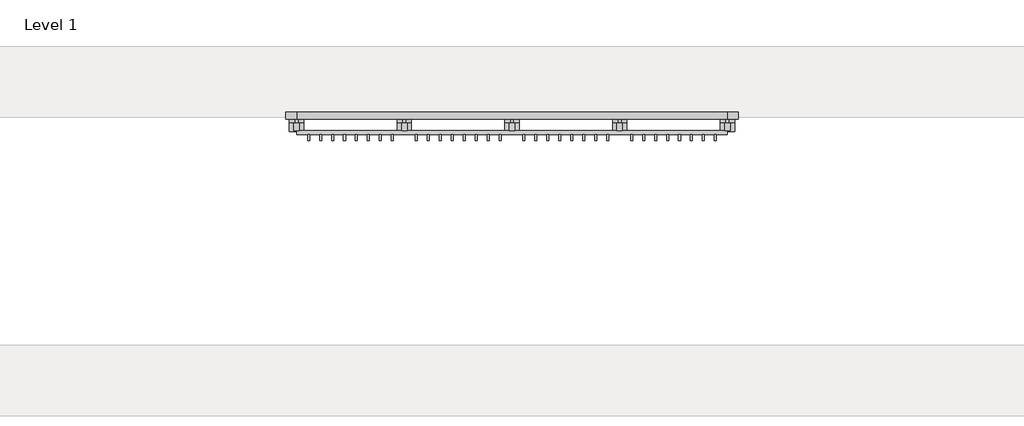
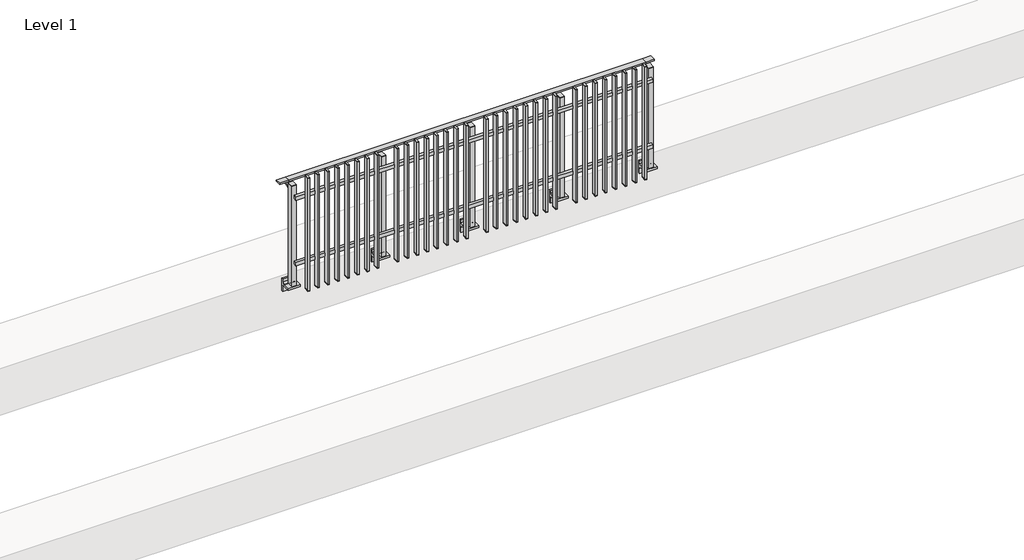
# One storey, part 13 of 17: 1 railing.
"""IFC4 building model written with IfcOpenShell, lengths in millimetres."""

from ifc_helpers import new_model, si_unit, point, frame, frame_2d, origin, place, context, project, spatial, polyline, circle_curve, trimmed, segment, composite_curve, outline, extrude, faceted_brep, element, save

model = new_model("IFC4")

# Units and contexts
model_context = context("Model", 3, world=origin())
ifc_project = project(units=[si_unit("LENGTHUNIT", "METRE", prefix="MILLI")], contexts=[model_context])

# Site, building, storey
site = spatial("IfcSite", under=ifc_project)
building = spatial("IfcBuilding", under=site)
storey = spatial("IfcBuildingStorey", under=building, Name="Level 1", Elevation=0.0)

# Railing
placement = place(None, origin())
element("IfcRailing", 1, at=placement, inside=storey, context=model_context, shape_type="SolidModel", body=[
    faceted_brep([(11910.0, 4942.6846828, 1000.0), (11910.0, 4942.6846828, 985.0), (11910.0, 4882.6846828, 985.0), (11910.0, 4882.6846828, 1000.0), (12000.0, 4942.6846828, 1000.0), (12000.0, 4942.6846828, 985.0), (12000.0, 4882.6846828, 985.0), (12000.0, 4882.6846828, 1000.0), (15600.0, 4942.6846828, 1000.0), (15600.0, 4942.6846828, 985.0), (15600.0, 4882.6846828, 985.0), (15600.0, 4882.6846828, 1000.0), (15690.0, 4942.6846828, 1000.0), (15690.0, 4882.6846828, 1000.0), (15690.0, 4882.6846828, 985.0), (15690.0, 4942.6846828, 985.0)], [[[0, 1, 2, 3]], [[1, 0, 4, 5]], [[2, 1, 5, 6]], [[3, 2, 6, 7]], [[0, 3, 7, 4]], [[5, 4, 8, 9]], [[6, 5, 9, 10]], [[7, 6, 10, 11]], [[4, 7, 11, 8]], [[12, 13, 14, 15]], [[9, 8, 12, 15]], [[10, 9, 15, 14]], [[11, 10, 14, 13]], [[8, 11, 13, 12]]]),
    extrude(outline(polyline([(12000.0, 4753.1846828), (12000.0, 4785.1846828), (15600.0, 4785.1846828), (15600.0, 4753.1846828), (12000.0, 4753.1846828)])), frame((0.0, 0.0, 164.0), z_axis=(0.0, 0.0, 1.0), x_axis=(1.0, 0.0, 0.0)), (0.0, 0.0, 1.0), 36.0),
    extrude(outline(polyline([(12000.0, 4753.1846828), (12000.0, 4785.1846828), (15600.0, 4785.1846828), (15600.0, 4753.1846828), (12000.0, 4753.1846828)])), frame((0.0, 0.0, 864.0), z_axis=(0.0, 0.0, 1.0), x_axis=(1.0, 0.0, 0.0)), (0.0, 0.0, 1.0), 36.0),
    extrude(outline(polyline([(15508.5, 4753.1846828), (15508.5, 4704.1846828), (15491.5, 4704.1846828), (15491.5, 4753.1846828), (15508.5, 4753.1846828)])), frame((0.0, 0.0, -110.0), z_axis=(0.0, 0.0, 1.0), x_axis=(1.0, 0.0, 0.0)), (0.0, 0.0, 1.0), 5.0),
    extrude(outline(polyline([(15508.5, 4753.1846828), (15508.5, 4704.1846828), (15491.5, 4704.1846828), (15491.5, 4753.1846828), (15508.5, 4753.1846828)])), frame((0.0, 0.0, 1095.0), z_axis=(0.0, 0.0, 1.0), x_axis=(1.0, 0.0, 0.0)), (0.0, 0.0, 1.0), 5.0),
    extrude(outline(polyline([(15491.5, 4704.1846828), (15491.5, 4753.1846828), (15508.5, 4753.1846828), (15508.5, 4704.1846828), (15491.5, 4704.1846828)])), frame((0.0, 0.0, -105.0), z_axis=(0.0, 0.0, 1.0), x_axis=(1.0, 0.0, 0.0)), (0.0, 0.0, 1.0), 1200.0),
    extrude(outline(polyline([(15408.5, 4753.1846828), (15408.5, 4704.1846828), (15391.5, 4704.1846828), (15391.5, 4753.1846828), (15408.5, 4753.1846828)])), frame((0.0, 0.0, -110.0), z_axis=(0.0, 0.0, 1.0), x_axis=(1.0, 0.0, 0.0)), (0.0, 0.0, 1.0), 5.0),
    extrude(outline(polyline([(15408.5, 4753.1846828), (15408.5, 4704.1846828), (15391.5, 4704.1846828), (15391.5, 4753.1846828), (15408.5, 4753.1846828)])), frame((0.0, 0.0, 1095.0), z_axis=(0.0, 0.0, 1.0), x_axis=(1.0, 0.0, 0.0)), (0.0, 0.0, 1.0), 5.0),
    extrude(outline(polyline([(15391.5, 4704.1846828), (15391.5, 4753.1846828), (15408.5, 4753.1846828), (15408.5, 4704.1846828), (15391.5, 4704.1846828)])), frame((0.0, 0.0, -105.0), z_axis=(0.0, 0.0, 1.0), x_axis=(1.0, 0.0, 0.0)), (0.0, 0.0, 1.0), 1200.0),
    extrude(outline(polyline([(15308.5, 4753.1846828), (15308.5, 4704.1846828), (15291.5, 4704.1846828), (15291.5, 4753.1846828), (15308.5, 4753.1846828)])), frame((0.0, 0.0, -110.0), z_axis=(0.0, 0.0, 1.0), x_axis=(1.0, 0.0, 0.0)), (0.0, 0.0, 1.0), 5.0),
    extrude(outline(polyline([(15308.5, 4753.1846828), (15308.5, 4704.1846828), (15291.5, 4704.1846828), (15291.5, 4753.1846828), (15308.5, 4753.1846828)])), frame((0.0, 0.0, 1095.0), z_axis=(0.0, 0.0, 1.0), x_axis=(1.0, 0.0, 0.0)), (0.0, 0.0, 1.0), 5.0),
    extrude(outline(polyline([(15291.5, 4704.1846828), (15291.5, 4753.1846828), (15308.5, 4753.1846828), (15308.5, 4704.1846828), (15291.5, 4704.1846828)])), frame((0.0, 0.0, -105.0), z_axis=(0.0, 0.0, 1.0), x_axis=(1.0, 0.0, 0.0)), (0.0, 0.0, 1.0), 1200.0),
    extrude(outline(polyline([(15208.5, 4753.1846828), (15208.5, 4704.1846828), (15191.5, 4704.1846828), (15191.5, 4753.1846828), (15208.5, 4753.1846828)])), frame((0.0, 0.0, -110.0), z_axis=(0.0, 0.0, 1.0), x_axis=(1.0, 0.0, 0.0)), (0.0, 0.0, 1.0), 5.0),
    extrude(outline(polyline([(15208.5, 4753.1846828), (15208.5, 4704.1846828), (15191.5, 4704.1846828), (15191.5, 4753.1846828), (15208.5, 4753.1846828)])), frame((0.0, 0.0, 1095.0), z_axis=(0.0, 0.0, 1.0), x_axis=(1.0, 0.0, 0.0)), (0.0, 0.0, 1.0), 5.0),
    extrude(outline(polyline([(15191.5, 4704.1846828), (15191.5, 4753.1846828), (15208.5, 4753.1846828), (15208.5, 4704.1846828), (15191.5, 4704.1846828)])), frame((0.0, 0.0, -105.0), z_axis=(0.0, 0.0, 1.0), x_axis=(1.0, 0.0, 0.0)), (0.0, 0.0, 1.0), 1200.0),
    extrude(outline(polyline([(15108.5, 4753.1846828), (15108.5, 4704.1846828), (15091.5, 4704.1846828), (15091.5, 4753.1846828), (15108.5, 4753.1846828)])), frame((0.0, 0.0, -110.0), z_axis=(0.0, 0.0, 1.0), x_axis=(1.0, 0.0, 0.0)), (0.0, 0.0, 1.0), 5.0),
    extrude(outline(polyline([(15108.5, 4753.1846828), (15108.5, 4704.1846828), (15091.5, 4704.1846828), (15091.5, 4753.1846828), (15108.5, 4753.1846828)])), frame((0.0, 0.0, 1095.0), z_axis=(0.0, 0.0, 1.0), x_axis=(1.0, 0.0, 0.0)), (0.0, 0.0, 1.0), 5.0),
    extrude(outline(polyline([(15091.5, 4704.1846828), (15091.5, 4753.1846828), (15108.5, 4753.1846828), (15108.5, 4704.1846828), (15091.5, 4704.1846828)])), frame((0.0, 0.0, -105.0), z_axis=(0.0, 0.0, 1.0), x_axis=(1.0, 0.0, 0.0)), (0.0, 0.0, 1.0), 1200.0),
    extrude(outline(polyline([(15008.5, 4753.1846828), (15008.5, 4704.1846828), (14991.5, 4704.1846828), (14991.5, 4753.1846828), (15008.5, 4753.1846828)])), frame((0.0, 0.0, -110.0), z_axis=(0.0, 0.0, 1.0), x_axis=(1.0, 0.0, 0.0)), (0.0, 0.0, 1.0), 5.0),
    extrude(outline(polyline([(15008.5, 4753.1846828), (15008.5, 4704.1846828), (14991.5, 4704.1846828), (14991.5, 4753.1846828), (15008.5, 4753.1846828)])), frame((0.0, 0.0, 1095.0), z_axis=(0.0, 0.0, 1.0), x_axis=(1.0, 0.0, 0.0)), (0.0, 0.0, 1.0), 5.0),
    extrude(outline(polyline([(14991.5, 4704.1846828), (14991.5, 4753.1846828), (15008.5, 4753.1846828), (15008.5, 4704.1846828), (14991.5, 4704.1846828)])), frame((0.0, 0.0, -105.0), z_axis=(0.0, 0.0, 1.0), x_axis=(1.0, 0.0, 0.0)), (0.0, 0.0, 1.0), 1200.0),
    extrude(outline(polyline([(14908.5, 4753.1846828), (14908.5, 4704.1846828), (14891.5, 4704.1846828), (14891.5, 4753.1846828), (14908.5, 4753.1846828)])), frame((0.0, 0.0, -110.0), z_axis=(0.0, 0.0, 1.0), x_axis=(1.0, 0.0, 0.0)), (0.0, 0.0, 1.0), 5.0),
    extrude(outline(polyline([(14908.5, 4753.1846828), (14908.5, 4704.1846828), (14891.5, 4704.1846828), (14891.5, 4753.1846828), (14908.5, 4753.1846828)])), frame((0.0, 0.0, 1095.0), z_axis=(0.0, 0.0, 1.0), x_axis=(1.0, 0.0, 0.0)), (0.0, 0.0, 1.0), 5.0),
    extrude(outline(polyline([(14891.5, 4704.1846828), (14891.5, 4753.1846828), (14908.5, 4753.1846828), (14908.5, 4704.1846828), (14891.5, 4704.1846828)])), frame((0.0, 0.0, -105.0), z_axis=(0.0, 0.0, 1.0), x_axis=(1.0, 0.0, 0.0)), (0.0, 0.0, 1.0), 1200.0),
    extrude(outline(polyline([(14808.5, 4753.1846828), (14808.5, 4704.1846828), (14791.5, 4704.1846828), (14791.5, 4753.1846828), (14808.5, 4753.1846828)])), frame((0.0, 0.0, -110.0), z_axis=(0.0, 0.0, 1.0), x_axis=(1.0, 0.0, 0.0)), (0.0, 0.0, 1.0), 5.0),
    extrude(outline(polyline([(14808.5, 4753.1846828), (14808.5, 4704.1846828), (14791.5, 4704.1846828), (14791.5, 4753.1846828), (14808.5, 4753.1846828)])), frame((0.0, 0.0, 1095.0), z_axis=(0.0, 0.0, 1.0), x_axis=(1.0, 0.0, 0.0)), (0.0, 0.0, 1.0), 5.0),
    extrude(outline(polyline([(14791.5, 4704.1846828), (14791.5, 4753.1846828), (14808.5, 4753.1846828), (14808.5, 4704.1846828), (14791.5, 4704.1846828)])), frame((0.0, 0.0, -105.0), z_axis=(0.0, 0.0, 1.0), x_axis=(1.0, 0.0, 0.0)), (0.0, 0.0, 1.0), 1200.0),
    extrude(outline(composite_curve([segment(polyline([(4938.1846828, 985.0), (4938.1846828, 960.900037)]), True, "CONTINUOUS"), segment(trimmed(circle_curve(frame_2d((4928.1846828, 960.900037)), 10.0), [point((4938.1846828, 960.900037))], [point((4930.7728733, 951.2407787))], False, "CARTESIAN"), True, "CONTINUOUS"), segment(polyline([(4930.7728733, 951.2407787), (4873.7244733, 935.9547061)]), True, "CONTINUOUS"), segment(trimmed(circle_curve(frame_2d((4876.3126638, 926.2954478)), 10.0), [point((4873.7244733, 935.9547061))], [point((4866.3982152, 927.6007097))], True, "CARTESIAN"), True, "CONTINUOUS"), segment(polyline([(4866.3982152, 927.6007097), (4861.791393, 892.6084214)]), True, "CONTINUOUS"), segment(trimmed(circle_curve(frame_2d((4858.8170584, 893.0)), 3.0), [point((4861.791393, 892.6084214))], [point((4858.8170584, 890.0))], False, "CARTESIAN"), True, "CONTINUOUS"), segment(polyline([(4858.8170584, 890.0), (4850.1846828, 890.0), (4850.1846828, 940.0), (4914.1846828, 957.1487483), (4914.1846828, 985.0), (4938.1846828, 985.0)]), True, "CONTINUOUS")], self_intersect=False)), frame((14687.5, 0.0, 0.0), z_axis=(1.0, 0.0, 0.0), x_axis=(0.0, 1.0, 0.0)), (0.0, 0.0, 1.0), 25.0),
    extrude(outline(composite_curve([segment(polyline([(4850.1846828, -70.0), (4884.1846828, -63.0), (4884.1846828, -32.5), (4900.1846828, -32.5), (4900.1846828, -167.5), (4884.1846828, -167.5), (4884.1846828, -113.5)]), True, "CONTINUOUS"), segment(trimmed(circle_curve(frame_2d((4864.1846828, -113.5)), 20.0), [point((4884.1846828, -113.5))], [point((4864.1846828, -93.5))], True, "CARTESIAN"), True, "CONTINUOUS"), segment(polyline([(4864.1846828, -93.5), (4780.1846828, -93.5), (4780.1846828, -70.0), (4850.1846828, -70.0)]), True, "CONTINUOUS")], self_intersect=False)), frame((14640.0, 0.0, 0.0), z_axis=(1.0, 0.0, 0.0), x_axis=(0.0, 1.0, 0.0)), (0.0, 0.0, 1.0), 120.0),
    extrude(outline(polyline([(14722.5, 4850.1846828), (14722.5, 4785.1846828), (14677.5, 4785.1846828), (14677.5, 4850.1846828), (14722.5, 4850.1846828)])), frame((0.0, 0.0, -70.0), z_axis=(0.0, 0.0, 1.0), x_axis=(1.0, 0.0, 0.0)), (0.0, 0.0, 1.0), 1070.0),
    extrude(outline(polyline([(14722.5, 4850.1846828), (14722.5, 4785.1846828), (14677.5, 4785.1846828), (14677.5, 4850.1846828), (14722.5, 4850.1846828)])), frame((0.0, 0.0, 1000.0), z_axis=(0.0, 0.0, 1.0), x_axis=(1.0, 0.0, 0.0)), (0.0, 0.0, 1.0), 5.0),
    extrude(outline(polyline([(14608.5, 4753.1846828), (14608.5, 4704.1846828), (14591.5, 4704.1846828), (14591.5, 4753.1846828), (14608.5, 4753.1846828)])), frame((0.0, 0.0, -110.0), z_axis=(0.0, 0.0, 1.0), x_axis=(1.0, 0.0, 0.0)), (0.0, 0.0, 1.0), 5.0),
    extrude(outline(polyline([(14608.5, 4753.1846828), (14608.5, 4704.1846828), (14591.5, 4704.1846828), (14591.5, 4753.1846828), (14608.5, 4753.1846828)])), frame((0.0, 0.0, 1095.0), z_axis=(0.0, 0.0, 1.0), x_axis=(1.0, 0.0, 0.0)), (0.0, 0.0, 1.0), 5.0),
    extrude(outline(polyline([(14591.5, 4704.1846828), (14591.5, 4753.1846828), (14608.5, 4753.1846828), (14608.5, 4704.1846828), (14591.5, 4704.1846828)])), frame((0.0, 0.0, -105.0), z_axis=(0.0, 0.0, 1.0), x_axis=(1.0, 0.0, 0.0)), (0.0, 0.0, 1.0), 1200.0),
    extrude(outline(polyline([(14508.5, 4753.1846828), (14508.5, 4704.1846828), (14491.5, 4704.1846828), (14491.5, 4753.1846828), (14508.5, 4753.1846828)])), frame((0.0, 0.0, -110.0), z_axis=(0.0, 0.0, 1.0), x_axis=(1.0, 0.0, 0.0)), (0.0, 0.0, 1.0), 5.0),
    extrude(outline(polyline([(14508.5, 4753.1846828), (14508.5, 4704.1846828), (14491.5, 4704.1846828), (14491.5, 4753.1846828), (14508.5, 4753.1846828)])), frame((0.0, 0.0, 1095.0), z_axis=(0.0, 0.0, 1.0), x_axis=(1.0, 0.0, 0.0)), (0.0, 0.0, 1.0), 5.0),
    extrude(outline(polyline([(14491.5, 4704.1846828), (14491.5, 4753.1846828), (14508.5, 4753.1846828), (14508.5, 4704.1846828), (14491.5, 4704.1846828)])), frame((0.0, 0.0, -105.0), z_axis=(0.0, 0.0, 1.0), x_axis=(1.0, 0.0, 0.0)), (0.0, 0.0, 1.0), 1200.0),
    extrude(outline(polyline([(14408.5, 4753.1846828), (14408.5, 4704.1846828), (14391.5, 4704.1846828), (14391.5, 4753.1846828), (14408.5, 4753.1846828)])), frame((0.0, 0.0, -110.0), z_axis=(0.0, 0.0, 1.0), x_axis=(1.0, 0.0, 0.0)), (0.0, 0.0, 1.0), 5.0),
    extrude(outline(polyline([(14408.5, 4753.1846828), (14408.5, 4704.1846828), (14391.5, 4704.1846828), (14391.5, 4753.1846828), (14408.5, 4753.1846828)])), frame((0.0, 0.0, 1095.0), z_axis=(0.0, 0.0, 1.0), x_axis=(1.0, 0.0, 0.0)), (0.0, 0.0, 1.0), 5.0),
    extrude(outline(polyline([(14391.5, 4704.1846828), (14391.5, 4753.1846828), (14408.5, 4753.1846828), (14408.5, 4704.1846828), (14391.5, 4704.1846828)])), frame((0.0, 0.0, -105.0), z_axis=(0.0, 0.0, 1.0), x_axis=(1.0, 0.0, 0.0)), (0.0, 0.0, 1.0), 1200.0),
    extrude(outline(polyline([(14308.5, 4753.1846828), (14308.5, 4704.1846828), (14291.5, 4704.1846828), (14291.5, 4753.1846828), (14308.5, 4753.1846828)])), frame((0.0, 0.0, -110.0), z_axis=(0.0, 0.0, 1.0), x_axis=(1.0, 0.0, 0.0)), (0.0, 0.0, 1.0), 5.0),
    extrude(outline(polyline([(14308.5, 4753.1846828), (14308.5, 4704.1846828), (14291.5, 4704.1846828), (14291.5, 4753.1846828), (14308.5, 4753.1846828)])), frame((0.0, 0.0, 1095.0), z_axis=(0.0, 0.0, 1.0), x_axis=(1.0, 0.0, 0.0)), (0.0, 0.0, 1.0), 5.0),
    extrude(outline(polyline([(14291.5, 4704.1846828), (14291.5, 4753.1846828), (14308.5, 4753.1846828), (14308.5, 4704.1846828), (14291.5, 4704.1846828)])), frame((0.0, 0.0, -105.0), z_axis=(0.0, 0.0, 1.0), x_axis=(1.0, 0.0, 0.0)), (0.0, 0.0, 1.0), 1200.0),
    extrude(outline(polyline([(14208.5, 4753.1846828), (14208.5, 4704.1846828), (14191.5, 4704.1846828), (14191.5, 4753.1846828), (14208.5, 4753.1846828)])), frame((0.0, 0.0, -110.0), z_axis=(0.0, 0.0, 1.0), x_axis=(1.0, 0.0, 0.0)), (0.0, 0.0, 1.0), 5.0),
    extrude(outline(polyline([(14208.5, 4753.1846828), (14208.5, 4704.1846828), (14191.5, 4704.1846828), (14191.5, 4753.1846828), (14208.5, 4753.1846828)])), frame((0.0, 0.0, 1095.0), z_axis=(0.0, 0.0, 1.0), x_axis=(1.0, 0.0, 0.0)), (0.0, 0.0, 1.0), 5.0),
    extrude(outline(polyline([(14191.5, 4704.1846828), (14191.5, 4753.1846828), (14208.5, 4753.1846828), (14208.5, 4704.1846828), (14191.5, 4704.1846828)])), frame((0.0, 0.0, -105.0), z_axis=(0.0, 0.0, 1.0), x_axis=(1.0, 0.0, 0.0)), (0.0, 0.0, 1.0), 1200.0),
    extrude(outline(polyline([(14108.5, 4753.1846828), (14108.5, 4704.1846828), (14091.5, 4704.1846828), (14091.5, 4753.1846828), (14108.5, 4753.1846828)])), frame((0.0, 0.0, -110.0), z_axis=(0.0, 0.0, 1.0), x_axis=(1.0, 0.0, 0.0)), (0.0, 0.0, 1.0), 5.0),
    extrude(outline(polyline([(14108.5, 4753.1846828), (14108.5, 4704.1846828), (14091.5, 4704.1846828), (14091.5, 4753.1846828), (14108.5, 4753.1846828)])), frame((0.0, 0.0, 1095.0), z_axis=(0.0, 0.0, 1.0), x_axis=(1.0, 0.0, 0.0)), (0.0, 0.0, 1.0), 5.0),
    extrude(outline(polyline([(14091.5, 4704.1846828), (14091.5, 4753.1846828), (14108.5, 4753.1846828), (14108.5, 4704.1846828), (14091.5, 4704.1846828)])), frame((0.0, 0.0, -105.0), z_axis=(0.0, 0.0, 1.0), x_axis=(1.0, 0.0, 0.0)), (0.0, 0.0, 1.0), 1200.0),
    extrude(outline(polyline([(14008.5, 4753.1846828), (14008.5, 4704.1846828), (13991.5, 4704.1846828), (13991.5, 4753.1846828), (14008.5, 4753.1846828)])), frame((0.0, 0.0, -110.0), z_axis=(0.0, 0.0, 1.0), x_axis=(1.0, 0.0, 0.0)), (0.0, 0.0, 1.0), 5.0),
    extrude(outline(polyline([(14008.5, 4753.1846828), (14008.5, 4704.1846828), (13991.5, 4704.1846828), (13991.5, 4753.1846828), (14008.5, 4753.1846828)])), frame((0.0, 0.0, 1095.0), z_axis=(0.0, 0.0, 1.0), x_axis=(1.0, 0.0, 0.0)), (0.0, 0.0, 1.0), 5.0),
    extrude(outline(polyline([(13991.5, 4704.1846828), (13991.5, 4753.1846828), (14008.5, 4753.1846828), (14008.5, 4704.1846828), (13991.5, 4704.1846828)])), frame((0.0, 0.0, -105.0), z_axis=(0.0, 0.0, 1.0), x_axis=(1.0, 0.0, 0.0)), (0.0, 0.0, 1.0), 1200.0),
    extrude(outline(polyline([(13908.5, 4753.1846828), (13908.5, 4704.1846828), (13891.5, 4704.1846828), (13891.5, 4753.1846828), (13908.5, 4753.1846828)])), frame((0.0, 0.0, -110.0), z_axis=(0.0, 0.0, 1.0), x_axis=(1.0, 0.0, 0.0)), (0.0, 0.0, 1.0), 5.0),
    extrude(outline(polyline([(13908.5, 4753.1846828), (13908.5, 4704.1846828), (13891.5, 4704.1846828), (13891.5, 4753.1846828), (13908.5, 4753.1846828)])), frame((0.0, 0.0, 1095.0), z_axis=(0.0, 0.0, 1.0), x_axis=(1.0, 0.0, 0.0)), (0.0, 0.0, 1.0), 5.0),
    extrude(outline(polyline([(13891.5, 4704.1846828), (13891.5, 4753.1846828), (13908.5, 4753.1846828), (13908.5, 4704.1846828), (13891.5, 4704.1846828)])), frame((0.0, 0.0, -105.0), z_axis=(0.0, 0.0, 1.0), x_axis=(1.0, 0.0, 0.0)), (0.0, 0.0, 1.0), 1200.0),
    extrude(outline(composite_curve([segment(polyline([(4938.1846828, 985.0), (4938.1846828, 960.900037)]), True, "CONTINUOUS"), segment(trimmed(circle_curve(frame_2d((4928.1846828, 960.900037)), 10.0), [point((4938.1846828, 960.900037))], [point((4930.7728733, 951.2407787))], False, "CARTESIAN"), True, "CONTINUOUS"), segment(polyline([(4930.7728733, 951.2407787), (4873.7244733, 935.9547061)]), True, "CONTINUOUS"), segment(trimmed(circle_curve(frame_2d((4876.3126638, 926.2954478)), 10.0), [point((4873.7244733, 935.9547061))], [point((4866.3982152, 927.6007097))], True, "CARTESIAN"), True, "CONTINUOUS"), segment(polyline([(4866.3982152, 927.6007097), (4861.791393, 892.6084214)]), True, "CONTINUOUS"), segment(trimmed(circle_curve(frame_2d((4858.8170584, 893.0)), 3.0), [point((4861.791393, 892.6084214))], [point((4858.8170584, 890.0))], False, "CARTESIAN"), True, "CONTINUOUS"), segment(polyline([(4858.8170584, 890.0), (4850.1846828, 890.0), (4850.1846828, 940.0), (4914.1846828, 957.1487483), (4914.1846828, 985.0), (4938.1846828, 985.0)]), True, "CONTINUOUS")], self_intersect=False)), frame((13787.5, 0.0, 0.0), z_axis=(1.0, 0.0, 0.0), x_axis=(0.0, 1.0, 0.0)), (0.0, 0.0, 1.0), 25.0),
    extrude(outline(composite_curve([segment(polyline([(4850.1846828, -70.0), (4884.1846828, -63.0), (4884.1846828, -32.5), (4900.1846828, -32.5), (4900.1846828, -167.5), (4884.1846828, -167.5), (4884.1846828, -113.5)]), True, "CONTINUOUS"), segment(trimmed(circle_curve(frame_2d((4864.1846828, -113.5)), 20.0), [point((4884.1846828, -113.5))], [point((4864.1846828, -93.5))], True, "CARTESIAN"), True, "CONTINUOUS"), segment(polyline([(4864.1846828, -93.5), (4780.1846828, -93.5), (4780.1846828, -70.0), (4850.1846828, -70.0)]), True, "CONTINUOUS")], self_intersect=False)), frame((13740.0, 0.0, 0.0), z_axis=(1.0, 0.0, 0.0), x_axis=(0.0, 1.0, 0.0)), (0.0, 0.0, 1.0), 120.0),
    extrude(outline(polyline([(13822.5, 4850.1846828), (13822.5, 4785.1846828), (13777.5, 4785.1846828), (13777.5, 4850.1846828), (13822.5, 4850.1846828)])), frame((0.0, 0.0, -70.0), z_axis=(0.0, 0.0, 1.0), x_axis=(1.0, 0.0, 0.0)), (0.0, 0.0, 1.0), 1070.0),
    extrude(outline(polyline([(13822.5, 4850.1846828), (13822.5, 4785.1846828), (13777.5, 4785.1846828), (13777.5, 4850.1846828), (13822.5, 4850.1846828)])), frame((0.0, 0.0, 1000.0), z_axis=(0.0, 0.0, 1.0), x_axis=(1.0, 0.0, 0.0)), (0.0, 0.0, 1.0), 5.0),
    extrude(outline(polyline([(13708.5, 4753.1846828), (13708.5, 4704.1846828), (13691.5, 4704.1846828), (13691.5, 4753.1846828), (13708.5, 4753.1846828)])), frame((0.0, 0.0, -110.0), z_axis=(0.0, 0.0, 1.0), x_axis=(1.0, 0.0, 0.0)), (0.0, 0.0, 1.0), 5.0),
    extrude(outline(polyline([(13708.5, 4753.1846828), (13708.5, 4704.1846828), (13691.5, 4704.1846828), (13691.5, 4753.1846828), (13708.5, 4753.1846828)])), frame((0.0, 0.0, 1095.0), z_axis=(0.0, 0.0, 1.0), x_axis=(1.0, 0.0, 0.0)), (0.0, 0.0, 1.0), 5.0),
    extrude(outline(polyline([(13691.5, 4704.1846828), (13691.5, 4753.1846828), (13708.5, 4753.1846828), (13708.5, 4704.1846828), (13691.5, 4704.1846828)])), frame((0.0, 0.0, -105.0), z_axis=(0.0, 0.0, 1.0), x_axis=(1.0, 0.0, 0.0)), (0.0, 0.0, 1.0), 1200.0),
    extrude(outline(polyline([(13608.5, 4753.1846828), (13608.5, 4704.1846828), (13591.5, 4704.1846828), (13591.5, 4753.1846828), (13608.5, 4753.1846828)])), frame((0.0, 0.0, -110.0), z_axis=(0.0, 0.0, 1.0), x_axis=(1.0, 0.0, 0.0)), (0.0, 0.0, 1.0), 5.0),
    extrude(outline(polyline([(13608.5, 4753.1846828), (13608.5, 4704.1846828), (13591.5, 4704.1846828), (13591.5, 4753.1846828), (13608.5, 4753.1846828)])), frame((0.0, 0.0, 1095.0), z_axis=(0.0, 0.0, 1.0), x_axis=(1.0, 0.0, 0.0)), (0.0, 0.0, 1.0), 5.0),
    extrude(outline(polyline([(13591.5, 4704.1846828), (13591.5, 4753.1846828), (13608.5, 4753.1846828), (13608.5, 4704.1846828), (13591.5, 4704.1846828)])), frame((0.0, 0.0, -105.0), z_axis=(0.0, 0.0, 1.0), x_axis=(1.0, 0.0, 0.0)), (0.0, 0.0, 1.0), 1200.0),
    extrude(outline(polyline([(13508.5, 4753.1846828), (13508.5, 4704.1846828), (13491.5, 4704.1846828), (13491.5, 4753.1846828), (13508.5, 4753.1846828)])), frame((0.0, 0.0, -110.0), z_axis=(0.0, 0.0, 1.0), x_axis=(1.0, 0.0, 0.0)), (0.0, 0.0, 1.0), 5.0),
    extrude(outline(polyline([(13508.5, 4753.1846828), (13508.5, 4704.1846828), (13491.5, 4704.1846828), (13491.5, 4753.1846828), (13508.5, 4753.1846828)])), frame((0.0, 0.0, 1095.0), z_axis=(0.0, 0.0, 1.0), x_axis=(1.0, 0.0, 0.0)), (0.0, 0.0, 1.0), 5.0),
    extrude(outline(polyline([(13491.5, 4704.1846828), (13491.5, 4753.1846828), (13508.5, 4753.1846828), (13508.5, 4704.1846828), (13491.5, 4704.1846828)])), frame((0.0, 0.0, -105.0), z_axis=(0.0, 0.0, 1.0), x_axis=(1.0, 0.0, 0.0)), (0.0, 0.0, 1.0), 1200.0),
    extrude(outline(polyline([(13408.5, 4753.1846828), (13408.5, 4704.1846828), (13391.5, 4704.1846828), (13391.5, 4753.1846828), (13408.5, 4753.1846828)])), frame((0.0, 0.0, -110.0), z_axis=(0.0, 0.0, 1.0), x_axis=(1.0, 0.0, 0.0)), (0.0, 0.0, 1.0), 5.0),
    extrude(outline(polyline([(13408.5, 4753.1846828), (13408.5, 4704.1846828), (13391.5, 4704.1846828), (13391.5, 4753.1846828), (13408.5, 4753.1846828)])), frame((0.0, 0.0, 1095.0), z_axis=(0.0, 0.0, 1.0), x_axis=(1.0, 0.0, 0.0)), (0.0, 0.0, 1.0), 5.0),
    extrude(outline(polyline([(13391.5, 4704.1846828), (13391.5, 4753.1846828), (13408.5, 4753.1846828), (13408.5, 4704.1846828), (13391.5, 4704.1846828)])), frame((0.0, 0.0, -105.0), z_axis=(0.0, 0.0, 1.0), x_axis=(1.0, 0.0, 0.0)), (0.0, 0.0, 1.0), 1200.0),
    extrude(outline(polyline([(13308.5, 4753.1846828), (13308.5, 4704.1846828), (13291.5, 4704.1846828), (13291.5, 4753.1846828), (13308.5, 4753.1846828)])), frame((0.0, 0.0, -110.0), z_axis=(0.0, 0.0, 1.0), x_axis=(1.0, 0.0, 0.0)), (0.0, 0.0, 1.0), 5.0),
    extrude(outline(polyline([(13308.5, 4753.1846828), (13308.5, 4704.1846828), (13291.5, 4704.1846828), (13291.5, 4753.1846828), (13308.5, 4753.1846828)])), frame((0.0, 0.0, 1095.0), z_axis=(0.0, 0.0, 1.0), x_axis=(1.0, 0.0, 0.0)), (0.0, 0.0, 1.0), 5.0),
    extrude(outline(polyline([(13291.5, 4704.1846828), (13291.5, 4753.1846828), (13308.5, 4753.1846828), (13308.5, 4704.1846828), (13291.5, 4704.1846828)])), frame((0.0, 0.0, -105.0), z_axis=(0.0, 0.0, 1.0), x_axis=(1.0, 0.0, 0.0)), (0.0, 0.0, 1.0), 1200.0),
    extrude(outline(polyline([(13208.5, 4753.1846828), (13208.5, 4704.1846828), (13191.5, 4704.1846828), (13191.5, 4753.1846828), (13208.5, 4753.1846828)])), frame((0.0, 0.0, -110.0), z_axis=(0.0, 0.0, 1.0), x_axis=(1.0, 0.0, 0.0)), (0.0, 0.0, 1.0), 5.0),
    extrude(outline(polyline([(13208.5, 4753.1846828), (13208.5, 4704.1846828), (13191.5, 4704.1846828), (13191.5, 4753.1846828), (13208.5, 4753.1846828)])), frame((0.0, 0.0, 1095.0), z_axis=(0.0, 0.0, 1.0), x_axis=(1.0, 0.0, 0.0)), (0.0, 0.0, 1.0), 5.0),
    extrude(outline(polyline([(13191.5, 4704.1846828), (13191.5, 4753.1846828), (13208.5, 4753.1846828), (13208.5, 4704.1846828), (13191.5, 4704.1846828)])), frame((0.0, 0.0, -105.0), z_axis=(0.0, 0.0, 1.0), x_axis=(1.0, 0.0, 0.0)), (0.0, 0.0, 1.0), 1200.0),
    extrude(outline(polyline([(13108.5, 4753.1846828), (13108.5, 4704.1846828), (13091.5, 4704.1846828), (13091.5, 4753.1846828), (13108.5, 4753.1846828)])), frame((0.0, 0.0, -110.0), z_axis=(0.0, 0.0, 1.0), x_axis=(1.0, 0.0, 0.0)), (0.0, 0.0, 1.0), 5.0),
    extrude(outline(polyline([(13108.5, 4753.1846828), (13108.5, 4704.1846828), (13091.5, 4704.1846828), (13091.5, 4753.1846828), (13108.5, 4753.1846828)])), frame((0.0, 0.0, 1095.0), z_axis=(0.0, 0.0, 1.0), x_axis=(1.0, 0.0, 0.0)), (0.0, 0.0, 1.0), 5.0),
    extrude(outline(polyline([(13091.5, 4704.1846828), (13091.5, 4753.1846828), (13108.5, 4753.1846828), (13108.5, 4704.1846828), (13091.5, 4704.1846828)])), frame((0.0, 0.0, -105.0), z_axis=(0.0, 0.0, 1.0), x_axis=(1.0, 0.0, 0.0)), (0.0, 0.0, 1.0), 1200.0),
    extrude(outline(polyline([(13008.5, 4753.1846828), (13008.5, 4704.1846828), (12991.5, 4704.1846828), (12991.5, 4753.1846828), (13008.5, 4753.1846828)])), frame((0.0, 0.0, -110.0), z_axis=(0.0, 0.0, 1.0), x_axis=(1.0, 0.0, 0.0)), (0.0, 0.0, 1.0), 5.0),
    extrude(outline(polyline([(13008.5, 4753.1846828), (13008.5, 4704.1846828), (12991.5, 4704.1846828), (12991.5, 4753.1846828), (13008.5, 4753.1846828)])), frame((0.0, 0.0, 1095.0), z_axis=(0.0, 0.0, 1.0), x_axis=(1.0, 0.0, 0.0)), (0.0, 0.0, 1.0), 5.0),
    extrude(outline(polyline([(12991.5, 4704.1846828), (12991.5, 4753.1846828), (13008.5, 4753.1846828), (13008.5, 4704.1846828), (12991.5, 4704.1846828)])), frame((0.0, 0.0, -105.0), z_axis=(0.0, 0.0, 1.0), x_axis=(1.0, 0.0, 0.0)), (0.0, 0.0, 1.0), 1200.0),
    extrude(outline(composite_curve([segment(polyline([(4938.1846828, 985.0), (4938.1846828, 960.900037)]), True, "CONTINUOUS"), segment(trimmed(circle_curve(frame_2d((4928.1846828, 960.900037)), 10.0), [point((4938.1846828, 960.900037))], [point((4930.7728733, 951.2407787))], False, "CARTESIAN"), True, "CONTINUOUS"), segment(polyline([(4930.7728733, 951.2407787), (4873.7244733, 935.9547061)]), True, "CONTINUOUS"), segment(trimmed(circle_curve(frame_2d((4876.3126638, 926.2954478)), 10.0), [point((4873.7244733, 935.9547061))], [point((4866.3982152, 927.6007097))], True, "CARTESIAN"), True, "CONTINUOUS"), segment(polyline([(4866.3982152, 927.6007097), (4861.791393, 892.6084214)]), True, "CONTINUOUS"), segment(trimmed(circle_curve(frame_2d((4858.8170584, 893.0)), 3.0), [point((4861.791393, 892.6084214))], [point((4858.8170584, 890.0))], False, "CARTESIAN"), True, "CONTINUOUS"), segment(polyline([(4858.8170584, 890.0), (4850.1846828, 890.0), (4850.1846828, 940.0), (4914.1846828, 957.1487483), (4914.1846828, 985.0), (4938.1846828, 985.0)]), True, "CONTINUOUS")], self_intersect=False)), frame((12887.5, 0.0, 0.0), z_axis=(1.0, 0.0, 0.0), x_axis=(0.0, 1.0, 0.0)), (0.0, 0.0, 1.0), 25.0),
    extrude(outline(composite_curve([segment(polyline([(4850.1846828, -70.0), (4884.1846828, -63.0), (4884.1846828, -32.5), (4900.1846828, -32.5), (4900.1846828, -167.5), (4884.1846828, -167.5), (4884.1846828, -113.5)]), True, "CONTINUOUS"), segment(trimmed(circle_curve(frame_2d((4864.1846828, -113.5)), 20.0), [point((4884.1846828, -113.5))], [point((4864.1846828, -93.5))], True, "CARTESIAN"), True, "CONTINUOUS"), segment(polyline([(4864.1846828, -93.5), (4780.1846828, -93.5), (4780.1846828, -70.0), (4850.1846828, -70.0)]), True, "CONTINUOUS")], self_intersect=False)), frame((12840.0, 0.0, 0.0), z_axis=(1.0, 0.0, 0.0), x_axis=(0.0, 1.0, 0.0)), (0.0, 0.0, 1.0), 120.0),
    extrude(outline(polyline([(12922.5, 4850.1846828), (12922.5, 4785.1846828), (12877.5, 4785.1846828), (12877.5, 4850.1846828), (12922.5, 4850.1846828)])), frame((0.0, 0.0, -70.0), z_axis=(0.0, 0.0, 1.0), x_axis=(1.0, 0.0, 0.0)), (0.0, 0.0, 1.0), 1070.0),
    extrude(outline(polyline([(12922.5, 4850.1846828), (12922.5, 4785.1846828), (12877.5, 4785.1846828), (12877.5, 4850.1846828), (12922.5, 4850.1846828)])), frame((0.0, 0.0, 1000.0), z_axis=(0.0, 0.0, 1.0), x_axis=(1.0, 0.0, 0.0)), (0.0, 0.0, 1.0), 5.0),
    extrude(outline(polyline([(12808.5, 4753.1846828), (12808.5, 4704.1846828), (12791.5, 4704.1846828), (12791.5, 4753.1846828), (12808.5, 4753.1846828)])), frame((0.0, 0.0, -110.0), z_axis=(0.0, 0.0, 1.0), x_axis=(1.0, 0.0, 0.0)), (0.0, 0.0, 1.0), 5.0),
    extrude(outline(polyline([(12808.5, 4753.1846828), (12808.5, 4704.1846828), (12791.5, 4704.1846828), (12791.5, 4753.1846828), (12808.5, 4753.1846828)])), frame((0.0, 0.0, 1095.0), z_axis=(0.0, 0.0, 1.0), x_axis=(1.0, 0.0, 0.0)), (0.0, 0.0, 1.0), 5.0),
    extrude(outline(polyline([(12791.5, 4704.1846828), (12791.5, 4753.1846828), (12808.5, 4753.1846828), (12808.5, 4704.1846828), (12791.5, 4704.1846828)])), frame((0.0, 0.0, -105.0), z_axis=(0.0, 0.0, 1.0), x_axis=(1.0, 0.0, 0.0)), (0.0, 0.0, 1.0), 1200.0),
    extrude(outline(polyline([(12708.5, 4753.1846828), (12708.5, 4704.1846828), (12691.5, 4704.1846828), (12691.5, 4753.1846828), (12708.5, 4753.1846828)])), frame((0.0, 0.0, -110.0), z_axis=(0.0, 0.0, 1.0), x_axis=(1.0, 0.0, 0.0)), (0.0, 0.0, 1.0), 5.0),
    extrude(outline(polyline([(12708.5, 4753.1846828), (12708.5, 4704.1846828), (12691.5, 4704.1846828), (12691.5, 4753.1846828), (12708.5, 4753.1846828)])), frame((0.0, 0.0, 1095.0), z_axis=(0.0, 0.0, 1.0), x_axis=(1.0, 0.0, 0.0)), (0.0, 0.0, 1.0), 5.0),
    extrude(outline(polyline([(12691.5, 4704.1846828), (12691.5, 4753.1846828), (12708.5, 4753.1846828), (12708.5, 4704.1846828), (12691.5, 4704.1846828)])), frame((0.0, 0.0, -105.0), z_axis=(0.0, 0.0, 1.0), x_axis=(1.0, 0.0, 0.0)), (0.0, 0.0, 1.0), 1200.0),
    extrude(outline(polyline([(12608.5, 4753.1846828), (12608.5, 4704.1846828), (12591.5, 4704.1846828), (12591.5, 4753.1846828), (12608.5, 4753.1846828)])), frame((0.0, 0.0, -110.0), z_axis=(0.0, 0.0, 1.0), x_axis=(1.0, 0.0, 0.0)), (0.0, 0.0, 1.0), 5.0),
    extrude(outline(polyline([(12608.5, 4753.1846828), (12608.5, 4704.1846828), (12591.5, 4704.1846828), (12591.5, 4753.1846828), (12608.5, 4753.1846828)])), frame((0.0, 0.0, 1095.0), z_axis=(0.0, 0.0, 1.0), x_axis=(1.0, 0.0, 0.0)), (0.0, 0.0, 1.0), 5.0),
    extrude(outline(polyline([(12591.5, 4704.1846828), (12591.5, 4753.1846828), (12608.5, 4753.1846828), (12608.5, 4704.1846828), (12591.5, 4704.1846828)])), frame((0.0, 0.0, -105.0), z_axis=(0.0, 0.0, 1.0), x_axis=(1.0, 0.0, 0.0)), (0.0, 0.0, 1.0), 1200.0),
    extrude(outline(polyline([(12508.5, 4753.1846828), (12508.5, 4704.1846828), (12491.5, 4704.1846828), (12491.5, 4753.1846828), (12508.5, 4753.1846828)])), frame((0.0, 0.0, -110.0), z_axis=(0.0, 0.0, 1.0), x_axis=(1.0, 0.0, 0.0)), (0.0, 0.0, 1.0), 5.0),
    extrude(outline(polyline([(12508.5, 4753.1846828), (12508.5, 4704.1846828), (12491.5, 4704.1846828), (12491.5, 4753.1846828), (12508.5, 4753.1846828)])), frame((0.0, 0.0, 1095.0), z_axis=(0.0, 0.0, 1.0), x_axis=(1.0, 0.0, 0.0)), (0.0, 0.0, 1.0), 5.0),
    extrude(outline(polyline([(12491.5, 4704.1846828), (12491.5, 4753.1846828), (12508.5, 4753.1846828), (12508.5, 4704.1846828), (12491.5, 4704.1846828)])), frame((0.0, 0.0, -105.0), z_axis=(0.0, 0.0, 1.0), x_axis=(1.0, 0.0, 0.0)), (0.0, 0.0, 1.0), 1200.0),
    extrude(outline(polyline([(12408.5, 4753.1846828), (12408.5, 4704.1846828), (12391.5, 4704.1846828), (12391.5, 4753.1846828), (12408.5, 4753.1846828)])), frame((0.0, 0.0, -110.0), z_axis=(0.0, 0.0, 1.0), x_axis=(1.0, 0.0, 0.0)), (0.0, 0.0, 1.0), 5.0),
    extrude(outline(polyline([(12408.5, 4753.1846828), (12408.5, 4704.1846828), (12391.5, 4704.1846828), (12391.5, 4753.1846828), (12408.5, 4753.1846828)])), frame((0.0, 0.0, 1095.0), z_axis=(0.0, 0.0, 1.0), x_axis=(1.0, 0.0, 0.0)), (0.0, 0.0, 1.0), 5.0),
    extrude(outline(polyline([(12391.5, 4704.1846828), (12391.5, 4753.1846828), (12408.5, 4753.1846828), (12408.5, 4704.1846828), (12391.5, 4704.1846828)])), frame((0.0, 0.0, -105.0), z_axis=(0.0, 0.0, 1.0), x_axis=(1.0, 0.0, 0.0)), (0.0, 0.0, 1.0), 1200.0),
    extrude(outline(polyline([(12308.5, 4753.1846828), (12308.5, 4704.1846828), (12291.5, 4704.1846828), (12291.5, 4753.1846828), (12308.5, 4753.1846828)])), frame((0.0, 0.0, -110.0), z_axis=(0.0, 0.0, 1.0), x_axis=(1.0, 0.0, 0.0)), (0.0, 0.0, 1.0), 5.0),
    extrude(outline(polyline([(12308.5, 4753.1846828), (12308.5, 4704.1846828), (12291.5, 4704.1846828), (12291.5, 4753.1846828), (12308.5, 4753.1846828)])), frame((0.0, 0.0, 1095.0), z_axis=(0.0, 0.0, 1.0), x_axis=(1.0, 0.0, 0.0)), (0.0, 0.0, 1.0), 5.0),
    extrude(outline(polyline([(12291.5, 4704.1846828), (12291.5, 4753.1846828), (12308.5, 4753.1846828), (12308.5, 4704.1846828), (12291.5, 4704.1846828)])), frame((0.0, 0.0, -105.0), z_axis=(0.0, 0.0, 1.0), x_axis=(1.0, 0.0, 0.0)), (0.0, 0.0, 1.0), 1200.0),
    extrude(outline(polyline([(12208.5, 4753.1846828), (12208.5, 4704.1846828), (12191.5, 4704.1846828), (12191.5, 4753.1846828), (12208.5, 4753.1846828)])), frame((0.0, 0.0, -110.0), z_axis=(0.0, 0.0, 1.0), x_axis=(1.0, 0.0, 0.0)), (0.0, 0.0, 1.0), 5.0),
    extrude(outline(polyline([(12208.5, 4753.1846828), (12208.5, 4704.1846828), (12191.5, 4704.1846828), (12191.5, 4753.1846828), (12208.5, 4753.1846828)])), frame((0.0, 0.0, 1095.0), z_axis=(0.0, 0.0, 1.0), x_axis=(1.0, 0.0, 0.0)), (0.0, 0.0, 1.0), 5.0),
    extrude(outline(polyline([(12191.5, 4704.1846828), (12191.5, 4753.1846828), (12208.5, 4753.1846828), (12208.5, 4704.1846828), (12191.5, 4704.1846828)])), frame((0.0, 0.0, -105.0), z_axis=(0.0, 0.0, 1.0), x_axis=(1.0, 0.0, 0.0)), (0.0, 0.0, 1.0), 1200.0),
    extrude(outline(polyline([(12108.5, 4753.1846828), (12108.5, 4704.1846828), (12091.5, 4704.1846828), (12091.5, 4753.1846828), (12108.5, 4753.1846828)])), frame((0.0, 0.0, -110.0), z_axis=(0.0, 0.0, 1.0), x_axis=(1.0, 0.0, 0.0)), (0.0, 0.0, 1.0), 5.0),
    extrude(outline(polyline([(12108.5, 4753.1846828), (12108.5, 4704.1846828), (12091.5, 4704.1846828), (12091.5, 4753.1846828), (12108.5, 4753.1846828)])), frame((0.0, 0.0, 1095.0), z_axis=(0.0, 0.0, 1.0), x_axis=(1.0, 0.0, 0.0)), (0.0, 0.0, 1.0), 5.0),
    extrude(outline(polyline([(12091.5, 4704.1846828), (12091.5, 4753.1846828), (12108.5, 4753.1846828), (12108.5, 4704.1846828), (12091.5, 4704.1846828)])), frame((0.0, 0.0, -105.0), z_axis=(0.0, 0.0, 1.0), x_axis=(1.0, 0.0, 0.0)), (0.0, 0.0, 1.0), 1200.0),
    extrude(outline(composite_curve([segment(polyline([(4938.1846828, 985.0), (4938.1846828, 960.900037)]), True, "CONTINUOUS"), segment(trimmed(circle_curve(frame_2d((4928.1846828, 960.900037)), 10.0), [point((4938.1846828, 960.900037))], [point((4930.7728733, 951.2407787))], False, "CARTESIAN"), True, "CONTINUOUS"), segment(polyline([(4930.7728733, 951.2407787), (4873.7244733, 935.9547061)]), True, "CONTINUOUS"), segment(trimmed(circle_curve(frame_2d((4876.3126638, 926.2954478)), 10.0), [point((4873.7244733, 935.9547061))], [point((4866.3982152, 927.6007097))], True, "CARTESIAN"), True, "CONTINUOUS"), segment(polyline([(4866.3982152, 927.6007097), (4861.791393, 892.6084214)]), True, "CONTINUOUS"), segment(trimmed(circle_curve(frame_2d((4858.8170584, 893.0)), 3.0), [point((4861.791393, 892.6084214))], [point((4858.8170584, 890.0))], False, "CARTESIAN"), True, "CONTINUOUS"), segment(polyline([(4858.8170584, 890.0), (4850.1846828, 890.0), (4850.1846828, 940.0), (4914.1846828, 957.1487483), (4914.1846828, 985.0), (4938.1846828, 985.0)]), True, "CONTINUOUS")], self_intersect=False)), frame((15587.5, 0.0, 0.0), z_axis=(1.0, 0.0, 0.0), x_axis=(0.0, 1.0, 0.0)), (0.0, 0.0, 1.0), 25.0),
    extrude(outline(composite_curve([segment(polyline([(4850.1846828, -70.0), (4884.1846828, -63.0), (4884.1846828, -32.5), (4900.1846828, -32.5), (4900.1846828, -167.5), (4884.1846828, -167.5), (4884.1846828, -113.5)]), True, "CONTINUOUS"), segment(trimmed(circle_curve(frame_2d((4864.1846828, -113.5)), 20.0), [point((4884.1846828, -113.5))], [point((4864.1846828, -93.5))], True, "CARTESIAN"), True, "CONTINUOUS"), segment(polyline([(4864.1846828, -93.5), (4780.1846828, -93.5), (4780.1846828, -70.0), (4850.1846828, -70.0)]), True, "CONTINUOUS")], self_intersect=False)), frame((15540.0, 0.0, 0.0), z_axis=(1.0, 0.0, 0.0), x_axis=(0.0, 1.0, 0.0)), (0.0, 0.0, 1.0), 120.0),
    extrude(outline(polyline([(15622.5, 4850.1846828), (15622.5, 4785.1846828), (15577.5, 4785.1846828), (15577.5, 4850.1846828), (15622.5, 4850.1846828)])), frame((0.0, 0.0, -70.0), z_axis=(0.0, 0.0, 1.0), x_axis=(1.0, 0.0, 0.0)), (0.0, 0.0, 1.0), 1070.0),
    extrude(outline(polyline([(15622.5, 4850.1846828), (15622.5, 4785.1846828), (15577.5, 4785.1846828), (15577.5, 4850.1846828), (15622.5, 4850.1846828)])), frame((0.0, 0.0, 1000.0), z_axis=(0.0, 0.0, 1.0), x_axis=(1.0, 0.0, 0.0)), (0.0, 0.0, 1.0), 5.0),
    extrude(outline(composite_curve([segment(polyline([(4938.1846828, 985.0), (4938.1846828, 960.900037)]), True, "CONTINUOUS"), segment(trimmed(circle_curve(frame_2d((4928.1846828, 960.900037)), 10.0), [point((4938.1846828, 960.900037))], [point((4930.7728733, 951.2407787))], False, "CARTESIAN"), True, "CONTINUOUS"), segment(polyline([(4930.7728733, 951.2407787), (4873.7244733, 935.9547061)]), True, "CONTINUOUS"), segment(trimmed(circle_curve(frame_2d((4876.3126638, 926.2954478)), 10.0), [point((4873.7244733, 935.9547061))], [point((4866.3982152, 927.6007097))], True, "CARTESIAN"), True, "CONTINUOUS"), segment(polyline([(4866.3982152, 927.6007097), (4861.791393, 892.6084214)]), True, "CONTINUOUS"), segment(trimmed(circle_curve(frame_2d((4858.8170584, 893.0)), 3.0), [point((4861.791393, 892.6084214))], [point((4858.8170584, 890.0))], False, "CARTESIAN"), True, "CONTINUOUS"), segment(polyline([(4858.8170584, 890.0), (4850.1846828, 890.0), (4850.1846828, 940.0), (4914.1846828, 957.1487483), (4914.1846828, 985.0), (4938.1846828, 985.0)]), True, "CONTINUOUS")], self_intersect=False)), frame((11987.5, 0.0, 0.0), z_axis=(1.0, 0.0, 0.0), x_axis=(0.0, 1.0, 0.0)), (0.0, 0.0, 1.0), 25.0),
    extrude(outline(composite_curve([segment(polyline([(4850.1846828, -70.0), (4884.1846828, -63.0), (4884.1846828, -32.5), (4900.1846828, -32.5), (4900.1846828, -167.5), (4884.1846828, -167.5), (4884.1846828, -113.5)]), True, "CONTINUOUS"), segment(trimmed(circle_curve(frame_2d((4864.1846828, -113.5)), 20.0), [point((4884.1846828, -113.5))], [point((4864.1846828, -93.5))], True, "CARTESIAN"), True, "CONTINUOUS"), segment(polyline([(4864.1846828, -93.5), (4780.1846828, -93.5), (4780.1846828, -70.0), (4850.1846828, -70.0)]), True, "CONTINUOUS")], self_intersect=False)), frame((11940.0, 0.0, 0.0), z_axis=(1.0, 0.0, 0.0), x_axis=(0.0, 1.0, 0.0)), (0.0, 0.0, 1.0), 120.0),
    extrude(outline(polyline([(12022.5, 4850.1846828), (12022.5, 4785.1846828), (11977.5, 4785.1846828), (11977.5, 4850.1846828), (12022.5, 4850.1846828)])), frame((0.0, 0.0, -70.0), z_axis=(0.0, 0.0, 1.0), x_axis=(1.0, 0.0, 0.0)), (0.0, 0.0, 1.0), 1070.0),
    extrude(outline(polyline([(12022.5, 4850.1846828), (12022.5, 4785.1846828), (11977.5, 4785.1846828), (11977.5, 4850.1846828), (12022.5, 4850.1846828)])), frame((0.0, 0.0, 1000.0), z_axis=(0.0, 0.0, 1.0), x_axis=(1.0, 0.0, 0.0)), (0.0, 0.0, 1.0), 5.0),
])

save(model, "model.ifc")
